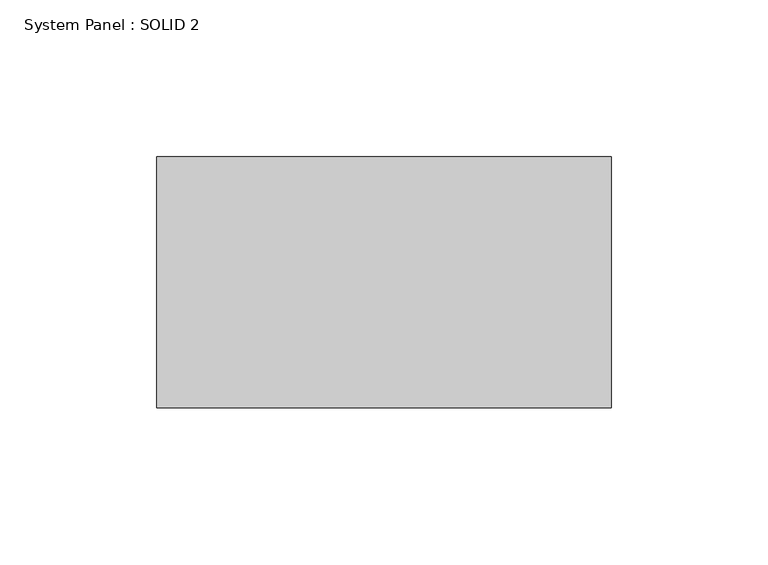
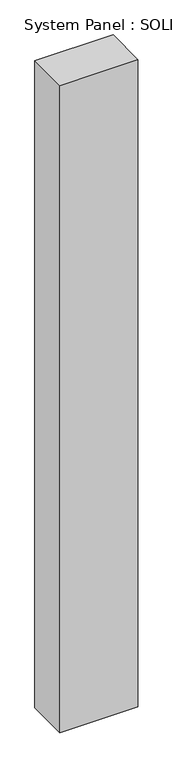
"""IFC4 building model written with IfcOpenShell, lengths in millimetres: plate geometry, System Panel : SOLID 2."""

from ifc_helpers import new_model, si_unit, origin, origin_with_axes, place, context, project, spatial, polyline, outline, extrude, source, transform, mapped, element, save


def system_panel_solid_2_f451d3bf(model_context):
    return source(origin(), model_context, "Body", "SweptSolid", [
        extrude(outline(polyline([(72.5, 80.0), (-72.5, 80.0), (-72.5, 160.0), (72.5, 160.0), (72.5, 80.0)])), origin_with_axes(), (0.0, 0.0, 1.0), 1269.6666667),
    ])


if __name__ == "__main__":
    model = new_model("IFC4")
    model_context = context("Model", 3, world=origin())
    ifc_project = project(units=[si_unit("LENGTHUNIT", "METRE", prefix="MILLI")], contexts=[model_context])
    site = spatial("IfcSite", under=ifc_project)
    building = spatial("IfcBuilding", under=site)
    placement = place(None, origin())
    system_panel_solid_2_shape = system_panel_solid_2_f451d3bf(model_context)
    element("IfcPlate", 1, ObjectType="System Panel : SOLID 2", at=placement, inside=building, context=model_context, shape_type="MappedRepresentation", body=[
        mapped(system_panel_solid_2_shape, transform((0.0, 0.0, 0.0), x_axis=(1.0, 0.0, 0.0), y_axis=(0.0, 1.0, 0.0), z_axis=(0.0, 0.0, 1.0))),
    ])
    save(model, "model.ifc")
